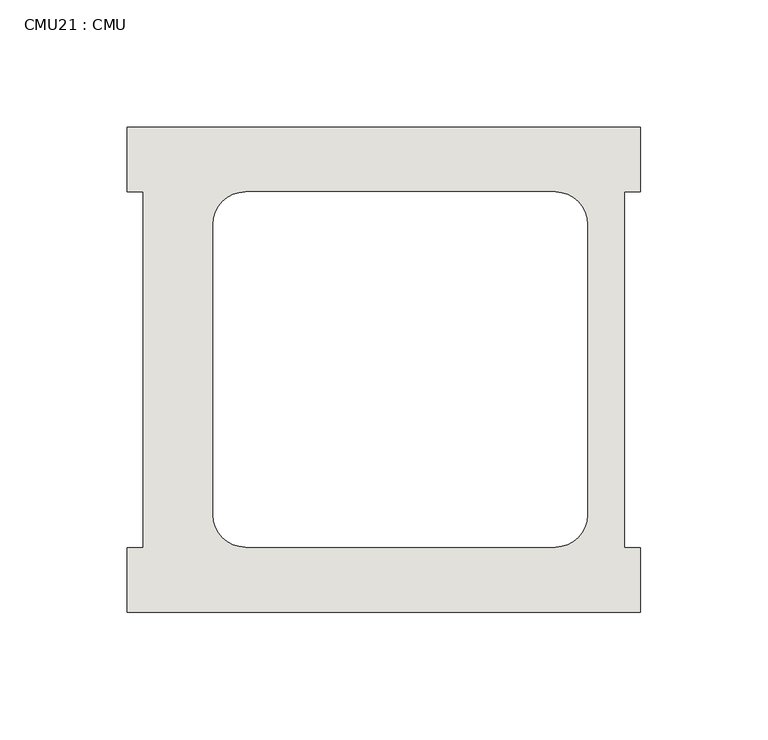
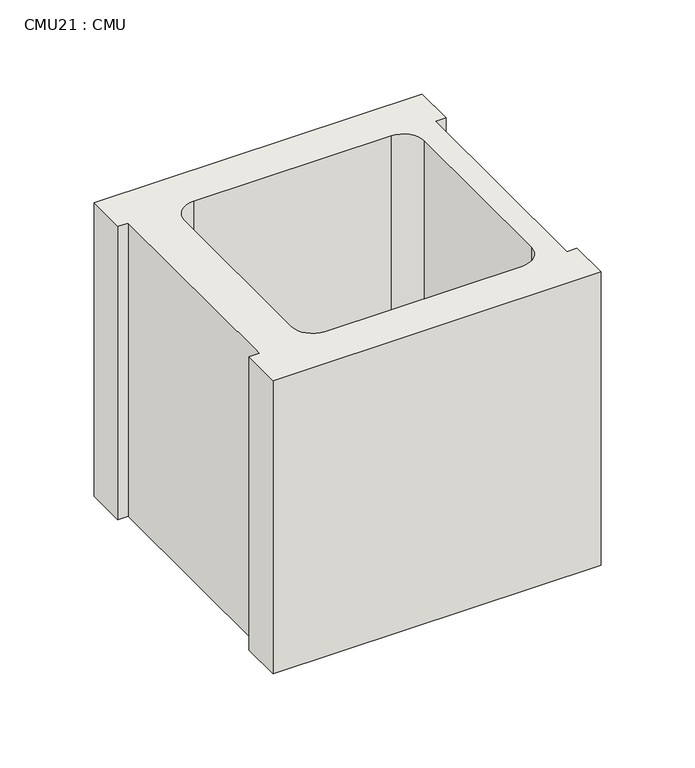
"""IFC4 building model written with IfcOpenShell, lengths in millimetres: wall geometry, CMU21 : CMU."""

from ifc_helpers import new_model, si_unit, point, frame, frame_2d, origin, place, context, project, spatial, polyline, circle_curve, trimmed, segment, composite_curve, outline, extrude, source, transform, mapped, element, save


def cmu21_cmu_5431b3c2(model_context):
    return source(origin(), model_context, "Body", "SweptSolid", [
        extrude(outline(polyline([(1576.0935968, 2871.3003704), (1777.7060968, 2871.3003704), (1777.7060968, 2845.9003704), (1771.3560968, 2845.9003704), (1771.3560968, 2706.2003704), (1777.7060968, 2706.2003704), (1777.7060968, 2680.8003704), (1576.0935968, 2680.8003704), (1576.0935968, 2706.2003704), (1582.4435968, 2706.2003704), (1582.4435968, 2845.9003704), (1576.0935968, 2845.9003704), (1576.0935968, 2871.3003704)]), holes=[composite_curve([segment(polyline([(1744.2615955, 2845.9003704), (1622.5449454, 2845.9003704)]), True, "CONTINUOUS"), segment(trimmed(circle_curve(frame_2d((1622.5449454, 2833.2003704)), 12.7), [point((1622.5449454, 2845.9003704))], [point((1609.8449454, 2833.2003704))], True, "CARTESIAN"), True, "CONTINUOUS"), segment(polyline([(1609.8449454, 2833.2003704), (1609.8449454, 2719.1345307)]), True, "CONTINUOUS"), segment(trimmed(circle_curve(frame_2d((1622.5449454, 2719.1345307)), 12.7), [point((1609.8449454, 2719.1345307))], [point((1622.5449454, 2706.4345307))], True, "CARTESIAN"), True, "CONTINUOUS"), segment(polyline([(1622.5449454, 2706.4345307), (1744.2615955, 2706.4345307)]), True, "CONTINUOUS"), segment(trimmed(circle_curve(frame_2d((1744.2615955, 2719.1345307)), 12.7), [point((1744.2615955, 2706.4345307))], [point((1756.9615955, 2719.1345307))], True, "CARTESIAN"), True, "CONTINUOUS"), segment(polyline([(1756.9615955, 2719.1345307), (1756.9615955, 2833.2003704)]), True, "CONTINUOUS"), segment(trimmed(circle_curve(frame_2d((1744.2615955, 2833.2003704)), 12.7), [point((1756.9615955, 2833.2003704))], [point((1744.2615955, 2845.9003704))], True, "CARTESIAN"), True, "CONTINUOUS")], self_intersect=False)]), frame((0.0, 0.0, 203.2), z_axis=(0.0, 0.0, 1.0), x_axis=(1.0, 0.0, 0.0)), (0.0, 0.0, 1.0), 190.5),
    ])


if __name__ == "__main__":
    model = new_model("IFC4")
    model_context = context("Model", 3, world=origin())
    ifc_project = project(units=[si_unit("LENGTHUNIT", "METRE", prefix="MILLI")], contexts=[model_context])
    site = spatial("IfcSite", under=ifc_project)
    building = spatial("IfcBuilding", under=site)
    placement = place(None, origin())
    cmu21_cmu_shape = cmu21_cmu_5431b3c2(model_context)
    element("IfcWall", 1, ObjectType="CMU21 : CMU", at=placement, inside=building, context=model_context, shape_type="MappedRepresentation", body=[
        mapped(cmu21_cmu_shape, transform((0.0, 0.0, 0.0), x_axis=(1.0, 0.0, 0.0), y_axis=(0.0, 1.0, 0.0), z_axis=(0.0, 0.0, 1.0))),
    ])
    save(model, "model.ifc")
